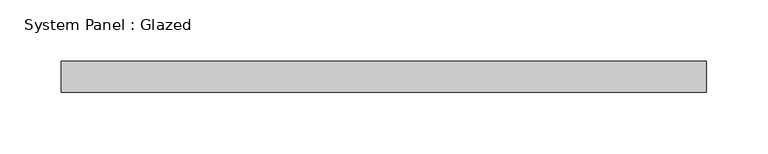
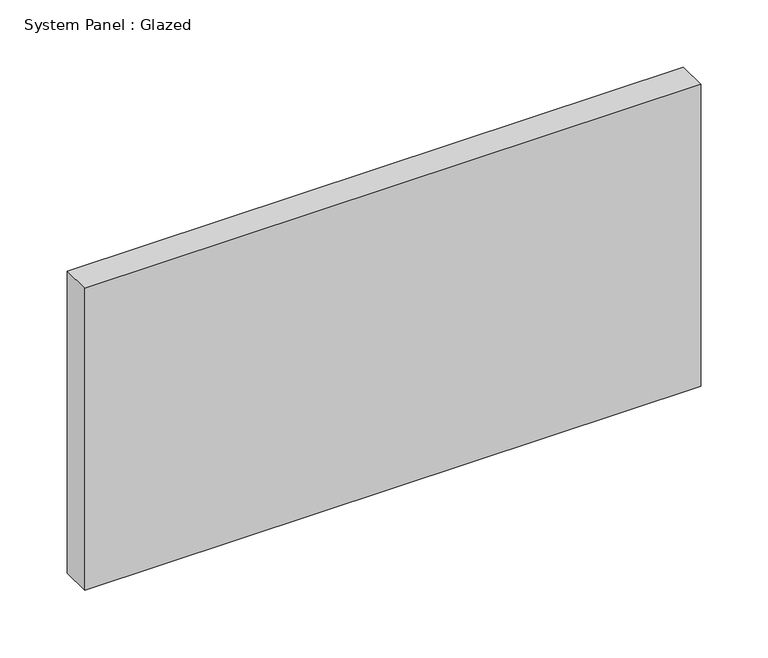
"""IFC4 building model written with IfcOpenShell, lengths in millimetres: plate geometry, System Panel : Glazed."""

from ifc_helpers import new_model, si_unit, origin, origin_with_axes, place, context, project, spatial, polyline, outline, extrude, source, transform, mapped, element, save


def system_panel_glazed_79bbb121(model_context):
    return source(origin(), model_context, "Body", "SweptSolid", [
        extrude(outline(polyline([(263.525, 19.05), (-263.525, 19.05), (-263.525, 44.45), (263.525, 44.45), (263.525, 19.05)])), origin_with_axes(), (0.0, 0.0, 1.0), 273.05),
    ])


if __name__ == "__main__":
    model = new_model("IFC4")
    model_context = context("Model", 3, world=origin())
    ifc_project = project(units=[si_unit("LENGTHUNIT", "METRE", prefix="MILLI")], contexts=[model_context])
    site = spatial("IfcSite", under=ifc_project)
    building = spatial("IfcBuilding", under=site)
    placement = place(None, origin())
    system_panel_glazed_shape = system_panel_glazed_79bbb121(model_context)
    element("IfcPlate", 1, ObjectType="System Panel : Glazed", at=placement, inside=building, context=model_context, shape_type="MappedRepresentation", body=[
        mapped(system_panel_glazed_shape, transform((0.0, 0.0, 0.0), x_axis=(1.0, 0.0, 0.0), y_axis=(0.0, 1.0, 0.0), z_axis=(0.0, 0.0, 1.0))),
    ])
    save(model, "model.ifc")
